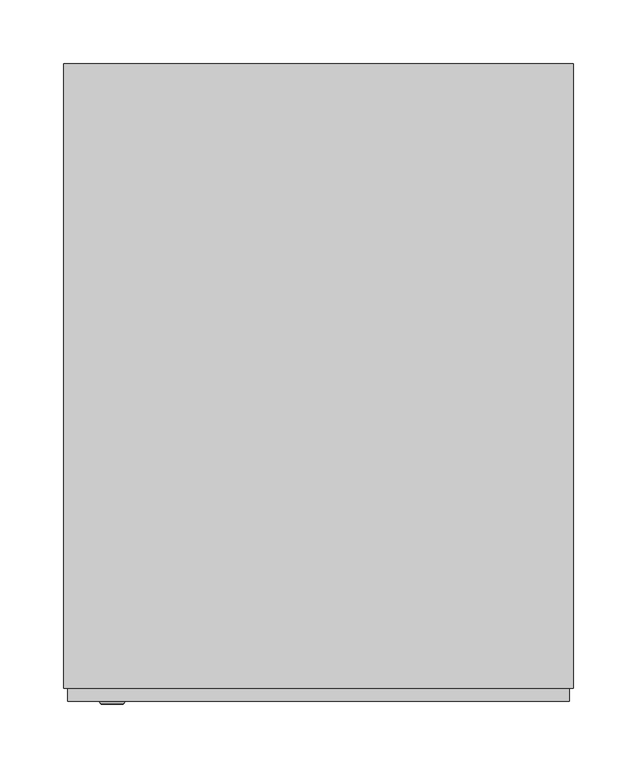
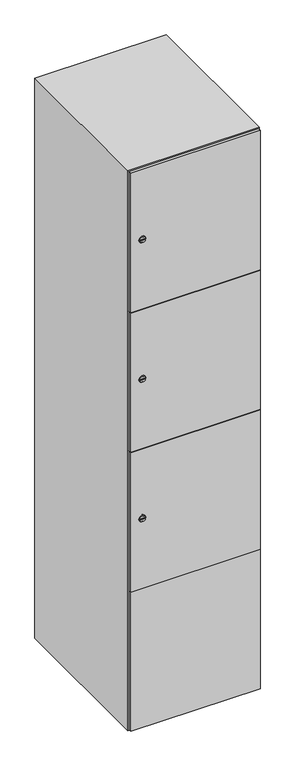
"""IFC4 building model written with IfcOpenShell, lengths in millimetres: furniture geometry."""

from ifc_helpers import new_model, si_unit, point, frame, frame_2d, origin, place, context, project, spatial, polyline, circle_curve, trimmed, segment, composite_curve, outline, extrude, faceted_brep, source, transform, mapped, element, save
from ifc_brep_helpers import plane_surface, revolved_surface, advanced_brep


def furniture_d785e410(model_context):
    return source(origin(), model_context, "Body", "SolidModel", [
        extrude(outline(composite_curve([segment(trimmed(circle_curve(frame_2d((710.75, -188.7989466)), 7.0), [point((717.75, -188.7989466))], [point((703.75, -188.7989466))], False, "CARTESIAN"), True, "CONTINUOUS"), segment(polyline([(703.75, -188.7989466), (703.75, -160.7989466)]), True, "CONTINUOUS"), segment(trimmed(circle_curve(frame_2d((710.75, -160.7989466)), 7.0), [point((703.75, -160.7989466))], [point((717.75, -160.7989466))], False, "CARTESIAN"), True, "CONTINUOUS"), segment(polyline([(717.75, -160.7989466), (717.75, -188.7989466)]), True, "CONTINUOUS")], self_intersect=False)), frame((0.0, -245.0, 0.0), z_axis=(0.0, 1.0, 0.0), x_axis=(0.0, 0.0, 1.0)), (0.0, 0.0, 1.0), 2.0),
        advanced_brep(
        [(-153.5, -257.2, 710.75), (-170.5, -257.2, 710.75), (-167.0, -257.2, 709.5), (-167.0, -257.2, 712.0), (-157.0, -257.2, 712.0), (-157.0, -257.2, 709.5), (-151.5, -255.0, 710.75), (-172.5, -255.0, 710.75), (-167.0, -255.0, 712.0), (-167.0, -255.0, 709.5), (-157.0, -255.0, 709.5), (-157.0, -255.0, 712.0)],
        [
            (0, 1, circle_curve(frame((-162.0, -257.2, 710.75), z_axis=(0.0, -1.0, 0.0), x_axis=(1.0, 0.0, 0.0)), 8.5)),
            (1, 0, circle_curve(frame((-162.0, -257.2, 710.75), z_axis=(0.0, -1.0, 0.0), x_axis=(-1.0, 0.0, 0.0)), 8.5)),
            (2, 3),
            (3, 4),
            (4, 5),
            (5, 2),
            (6, 7, circle_curve(frame((-162.0, -255.0, 710.75), z_axis=(0.0, 1.0, 0.0), x_axis=(-1.0, 0.0, 0.0)), 10.5)),
            (7, 6, circle_curve(frame((-162.0, -255.0, 710.75), z_axis=(0.0, 1.0, 0.0), x_axis=(1.0, 0.0, 0.0)), 10.5)),
            (8, 9),
            (9, 10),
            (10, 11),
            (11, 8),
            (0, 6),
            (7, 1),
            (8, 3),
            (2, 9),
            (11, 4),
            (10, 5),
        ],
        [
            plane_surface(frame((-162.0, -257.2, 710.75), z_axis=(0.0, -1.0, 0.0), x_axis=(0.0, 0.0, 1.0))),
            plane_surface(frame((-162.0, -255.0, 710.75), z_axis=(0.0, 1.0, 0.0), x_axis=(0.0, 0.0, 1.0))),
            revolved_surface(polyline([(-153.5, -257.2, 710.75), (-151.5, -255.0, 710.75)]), (-162.0, -266.55, 710.75), (0.0, 1.0, 0.0)),
            revolved_surface(polyline([(-170.5, -257.2, 710.75), (-172.5, -255.0, 710.75)]), (-162.0, -266.55, 710.75), (0.0, 1.0, 0.0)),
            plane_surface(frame((-167.0, -255.0, 709.5), z_axis=(1.0, 0.0, 0.0), x_axis=(0.0, -1.0, 0.0))),
            plane_surface(frame((-167.0, -255.0, 712.0), z_axis=(0.0, 0.0, -1.0), x_axis=(0.0, -1.0, 0.0))),
            plane_surface(frame((-157.0, -255.0, 712.0), z_axis=(-1.0, 0.0, 0.0), x_axis=(0.0, -1.0, 0.0))),
            plane_surface(frame((-157.0, -255.0, 709.5), z_axis=(0.0, 0.0, 1.0), x_axis=(0.0, -1.0, 0.0))),
        ],
        [
            (0, [[1, 2], [3, 4, 5, 6]]),
            (1, [[7, 8], [9, 10, 11, 12]]),
            (2, [[-1, 13, -8, 14]]),
            (3, [[-2, -14, -7, -13]]),
            (4, [[15, -3, 16, -9]]),
            (5, [[-15, -12, 17, -4]]),
            (6, [[-17, -11, 18, -5]]),
            (7, [[-16, -6, -18, -10]]),
        ],
    ),
        extrude(outline(composite_curve([segment(trimmed(circle_curve(frame_2d((1159.25, -188.7989466)), 7.0), [point((1166.25, -188.7989466))], [point((1152.25, -188.7989466))], False, "CARTESIAN"), True, "CONTINUOUS"), segment(polyline([(1152.25, -188.7989466), (1152.25, -160.7989466)]), True, "CONTINUOUS"), segment(trimmed(circle_curve(frame_2d((1159.25, -160.7989466)), 7.0), [point((1152.25, -160.7989466))], [point((1166.25, -160.7989466))], False, "CARTESIAN"), True, "CONTINUOUS"), segment(polyline([(1166.25, -160.7989466), (1166.25, -188.7989466)]), True, "CONTINUOUS")], self_intersect=False)), frame((0.0, -245.0, 0.0), z_axis=(0.0, 1.0, 0.0), x_axis=(0.0, 0.0, 1.0)), (0.0, 0.0, 1.0), 2.0),
        advanced_brep(
        [(-153.5, -257.2, 1159.25), (-170.5, -257.2, 1159.25), (-167.0, -257.2, 1158.0), (-167.0, -257.2, 1160.5), (-157.0, -257.2, 1160.5), (-157.0, -257.2, 1158.0), (-151.5, -255.0, 1159.25), (-172.5, -255.0, 1159.25), (-167.0, -255.0, 1160.5), (-167.0, -255.0, 1158.0), (-157.0, -255.0, 1158.0), (-157.0, -255.0, 1160.5)],
        [
            (0, 1, circle_curve(frame((-162.0, -257.2, 1159.25), z_axis=(0.0, -1.0, 0.0), x_axis=(1.0, 0.0, 0.0)), 8.5)),
            (1, 0, circle_curve(frame((-162.0, -257.2, 1159.25), z_axis=(0.0, -1.0, 0.0), x_axis=(-1.0, 0.0, 0.0)), 8.5)),
            (2, 3),
            (3, 4),
            (4, 5),
            (5, 2),
            (6, 7, circle_curve(frame((-162.0, -255.0, 1159.25), z_axis=(0.0, 1.0, 0.0), x_axis=(-1.0, 0.0, 0.0)), 10.5)),
            (7, 6, circle_curve(frame((-162.0, -255.0, 1159.25), z_axis=(0.0, 1.0, 0.0), x_axis=(1.0, 0.0, 0.0)), 10.5)),
            (8, 9),
            (9, 10),
            (10, 11),
            (11, 8),
            (0, 6),
            (7, 1),
            (8, 3),
            (2, 9),
            (11, 4),
            (10, 5),
        ],
        [
            plane_surface(frame((-162.0, -257.2, 1159.25), z_axis=(0.0, -1.0, 0.0), x_axis=(0.0, 0.0, 1.0))),
            plane_surface(frame((-162.0, -255.0, 1159.25), z_axis=(0.0, 1.0, 0.0), x_axis=(0.0, 0.0, 1.0))),
            revolved_surface(polyline([(-153.5, -257.2, 1159.25), (-151.5, -255.0, 1159.25)]), (-162.0, -266.55, 1159.25), (0.0, 1.0, 0.0)),
            revolved_surface(polyline([(-170.5, -257.2, 1159.25), (-172.5, -255.0, 1159.25)]), (-162.0, -266.55, 1159.25), (0.0, 1.0, 0.0)),
            plane_surface(frame((-167.0, -255.0, 1158.0), z_axis=(1.0, 0.0, 0.0), x_axis=(0.0, -1.0, 0.0))),
            plane_surface(frame((-167.0, -255.0, 1160.5), z_axis=(0.0, 0.0, -1.0), x_axis=(0.0, -1.0, 0.0))),
            plane_surface(frame((-157.0, -255.0, 1160.5), z_axis=(-1.0, 0.0, 0.0), x_axis=(0.0, -1.0, 0.0))),
            plane_surface(frame((-157.0, -255.0, 1158.0), z_axis=(0.0, 0.0, 1.0), x_axis=(0.0, -1.0, 0.0))),
        ],
        [
            (0, [[1, 2], [3, 4, 5, 6]]),
            (1, [[7, 8], [9, 10, 11, 12]]),
            (2, [[-1, 13, -8, 14]]),
            (3, [[-2, -14, -7, -13]]),
            (4, [[15, -3, 16, -9]]),
            (5, [[-15, -12, 17, -4]]),
            (6, [[-17, -11, 18, -5]]),
            (7, [[-16, -6, -18, -10]]),
        ],
    ),
        extrude(outline(composite_curve([segment(trimmed(circle_curve(frame_2d((1607.75, -188.7989466)), 7.0), [point((1614.75, -188.7989466))], [point((1600.75, -188.7989466))], False, "CARTESIAN"), True, "CONTINUOUS"), segment(polyline([(1600.75, -188.7989466), (1600.75, -160.7989466)]), True, "CONTINUOUS"), segment(trimmed(circle_curve(frame_2d((1607.75, -160.7989466)), 7.0), [point((1600.75, -160.7989466))], [point((1614.75, -160.7989466))], False, "CARTESIAN"), True, "CONTINUOUS"), segment(polyline([(1614.75, -160.7989466), (1614.75, -188.7989466)]), True, "CONTINUOUS")], self_intersect=False)), frame((0.0, -245.0, 0.0), z_axis=(0.0, 1.0, 0.0), x_axis=(0.0, 0.0, 1.0)), (0.0, 0.0, 1.0), 2.0),
        advanced_brep(
        [(-153.5, -257.2, 1607.75), (-170.5, -257.2, 1607.75), (-167.0, -257.2, 1606.5), (-167.0, -257.2, 1609.0), (-157.0, -257.2, 1609.0), (-157.0, -257.2, 1606.5), (-151.5, -255.0, 1607.75), (-172.5, -255.0, 1607.75), (-167.0, -255.0, 1609.0), (-167.0, -255.0, 1606.5), (-157.0, -255.0, 1606.5), (-157.0, -255.0, 1609.0)],
        [
            (0, 1, circle_curve(frame((-162.0, -257.2, 1607.75), z_axis=(0.0, -1.0, 0.0), x_axis=(1.0, 0.0, 0.0)), 8.5)),
            (1, 0, circle_curve(frame((-162.0, -257.2, 1607.75), z_axis=(0.0, -1.0, 0.0), x_axis=(-1.0, 0.0, 0.0)), 8.5)),
            (2, 3),
            (3, 4),
            (4, 5),
            (5, 2),
            (6, 7, circle_curve(frame((-162.0, -255.0, 1607.75), z_axis=(0.0, 1.0, 0.0), x_axis=(-1.0, 0.0, 0.0)), 10.5)),
            (7, 6, circle_curve(frame((-162.0, -255.0, 1607.75), z_axis=(0.0, 1.0, 0.0), x_axis=(1.0, 0.0, 0.0)), 10.5)),
            (8, 9),
            (9, 10),
            (10, 11),
            (11, 8),
            (0, 6),
            (7, 1),
            (8, 3),
            (2, 9),
            (11, 4),
            (10, 5),
        ],
        [
            plane_surface(frame((-162.0, -257.2, 1607.75), z_axis=(0.0, -1.0, 0.0), x_axis=(0.0, 0.0, 1.0))),
            plane_surface(frame((-162.0, -255.0, 1607.75), z_axis=(0.0, 1.0, 0.0), x_axis=(0.0, 0.0, 1.0))),
            revolved_surface(polyline([(-153.5, -257.2, 1607.75), (-151.5, -255.0, 1607.75)]), (-162.0, -266.55, 1607.75), (0.0, 1.0, 0.0)),
            revolved_surface(polyline([(-170.5, -257.2, 1607.75), (-172.5, -255.0, 1607.75)]), (-162.0, -266.55, 1607.75), (0.0, 1.0, 0.0)),
            plane_surface(frame((-167.0, -255.0, 1606.5), z_axis=(1.0, 0.0, 0.0), x_axis=(0.0, -1.0, 0.0))),
            plane_surface(frame((-167.0, -255.0, 1609.0), z_axis=(0.0, 0.0, -1.0), x_axis=(0.0, -1.0, 0.0))),
            plane_surface(frame((-157.0, -255.0, 1609.0), z_axis=(-1.0, 0.0, 0.0), x_axis=(0.0, -1.0, 0.0))),
            plane_surface(frame((-157.0, -255.0, 1606.5), z_axis=(0.0, 0.0, 1.0), x_axis=(0.0, -1.0, 0.0))),
        ],
        [
            (0, [[1, 2], [3, 4, 5, 6]]),
            (1, [[7, 8], [9, 10, 11, 12]]),
            (2, [[-1, 13, -8, 14]]),
            (3, [[-2, -14, -7, -13]]),
            (4, [[15, -3, 16, -9]]),
            (5, [[-15, -12, 17, -4]]),
            (6, [[-17, -11, 18, -5]]),
            (7, [[-16, -6, -18, -10]]),
        ],
    ),
        extrude(outline(polyline([(197.0, -245.0), (197.0, -255.0), (-197.0, -255.0), (-197.0, -245.0), (197.0, -245.0)])), frame((0.0, 0.0, 486.0), z_axis=(0.0, 0.0, 1.0), x_axis=(1.0, 0.0, 0.0)), (0.0, 0.0, 1.0), 448.5),
        extrude(outline(polyline([(197.0, -245.0), (197.0, -255.0), (-197.0, -255.0), (-197.0, -245.0), (197.0, -245.0)])), frame((0.0, 0.0, 935.5), z_axis=(0.0, 0.0, 1.0), x_axis=(1.0, 0.0, 0.0)), (0.0, 0.0, 1.0), 447.5),
        extrude(outline(polyline([(-197.0, -255.0), (-197.0, -245.0), (197.0, -245.0), (197.0, -255.0), (-197.0, -255.0)])), frame((0.0, 0.0, 1384.0), z_axis=(0.0, 0.0, 1.0), x_axis=(1.0, 0.0, 0.0)), (0.0, 0.0, 1.0), 448.0),
        extrude(outline(polyline([(197.0, -245.0), (197.0, -255.0), (-197.0, -255.0), (-197.0, -245.0), (197.0, -245.0)])), frame((0.0, 0.0, 38.0), z_axis=(0.0, 0.0, 1.0), x_axis=(1.0, 0.0, 0.0)), (0.0, 0.0, 1.0), 449.0),
        extrude(outline(polyline([(179.6, 242.0), (179.6, -235.0), (-179.6, -235.0), (-179.6, 242.0), (179.6, 242.0)])), frame((0.0, 0.0, 1359.7), z_axis=(0.0, 0.0, 1.0), x_axis=(1.0, 0.0, 0.0)), (0.0, 0.0, 1.0), 20.4),
        extrude(outline(polyline([(179.6, 242.0), (179.6, -235.0), (-179.6, -235.0), (-179.6, 242.0), (179.6, 242.0)])), frame((0.0, 0.0, 924.8), z_axis=(0.0, 0.0, 1.0), x_axis=(1.0, 0.0, 0.0)), (0.0, 0.0, 1.0), 20.4),
        extrude(outline(polyline([(179.6, 242.0), (179.6, -235.0), (-179.6, -235.0), (-179.6, 242.0), (179.6, 242.0)])), frame((0.0, 0.0, 489.9), z_axis=(0.0, 0.0, 1.0), x_axis=(1.0, 0.0, 0.0)), (0.0, 0.0, 1.0), 20.4),
        faceted_brep([(200.0, -245.0, 35.0), (200.0, -245.0, 1835.0), (-200.0, -245.0, 1835.0), (-200.0, -245.0, 35.0), (179.6, -245.0, 1804.8), (179.6, -245.0, 65.2), (-179.6, -245.0, 65.2), (-179.6, -245.0, 1804.8), (200.0, 245.0, 35.0), (-200.0, 245.0, 35.0), (200.0, 245.0, 1835.0), (-200.0, 245.0, 1835.0), (179.6, 242.0, 1804.8), (179.6, 242.0, 65.2), (-200.0, 245.0, 1804.8), (-179.6, 242.0, 1804.8), (-179.6, 242.0, 65.2)], [[[0, 1, 2, 3], [4, 5, 6, 7]], [[8, 0, 3, 9]], [[1, 0, 8, 10]], [[1, 10, 11, 2]], [[4, 12, 13, 5]], [[9, 3, 2, 11, 14]], [[10, 8, 9, 14, 11]], [[12, 15, 16, 13]], [[15, 7, 6, 16]], [[4, 7, 15, 12]], [[6, 5, 13, 16]]]),
    ])


if __name__ == "__main__":
    model = new_model("IFC4")
    model_context = context("Model", 3, world=origin())
    ifc_project = project(units=[si_unit("LENGTHUNIT", "METRE", prefix="MILLI")], contexts=[model_context])
    site = spatial("IfcSite", under=ifc_project)
    building = spatial("IfcBuilding", under=site)
    placement = place(None, origin())
    furniture_shape = furniture_d785e410(model_context)
    element("IfcFurniture", 1, at=placement, inside=building, context=model_context, shape_type="MappedRepresentation", body=[
        mapped(furniture_shape, transform((0.0, 0.0, 0.0), x_axis=(1.0, 0.0, 0.0), y_axis=(0.0, 1.0, 0.0), z_axis=(0.0, 0.0, 1.0))),
    ])
    save(model, "model.ifc")
